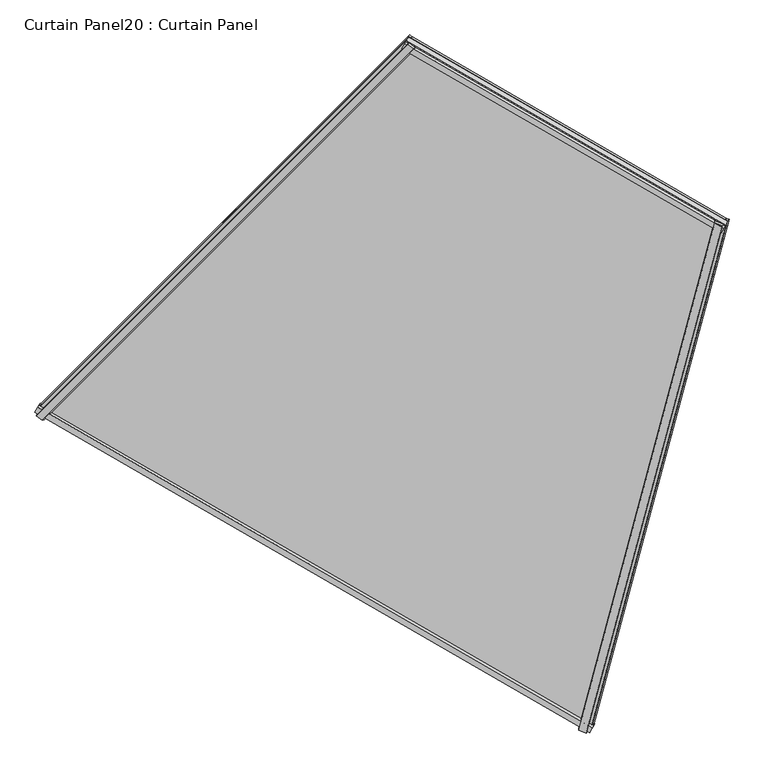
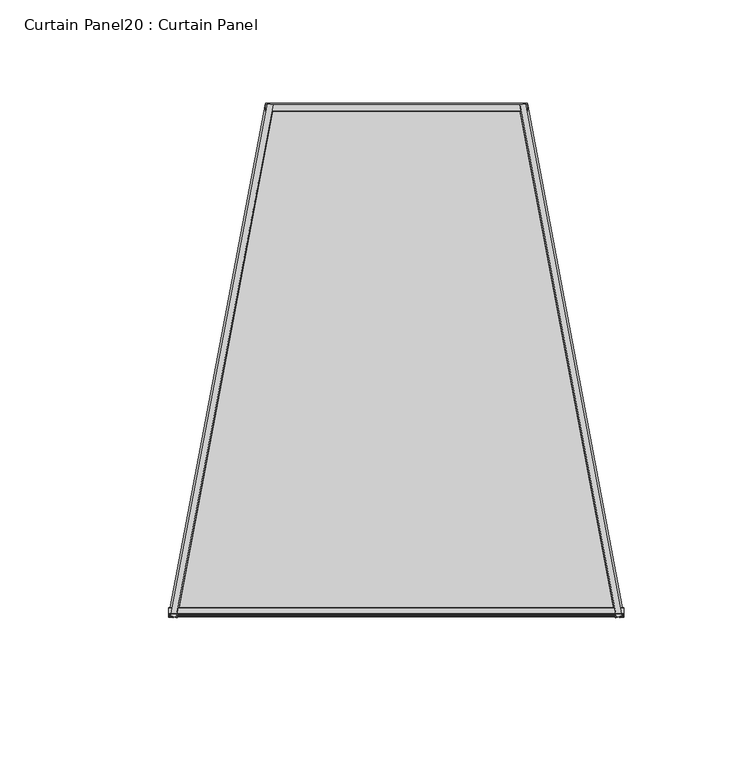
"""IFC4 building model written with IfcOpenShell, lengths in millimetres: plate geometry, Curtain Panel20 : Curtain Panel."""

from ifc_helpers import new_model, si_unit, frame, origin, place, context, project, spatial, polyline, outline, extrude, source, transform, mapped, element, save


def curtain_panel20_curtain_panel_d3203c03(model_context):
    return source(origin(), model_context, "Body", "SweptSolid", [
        extrude(outline(polyline([(22.3831197, -5.9476601), (22.4361731, -22.5325479), (17.5121094, -25.3444409), (17.5121093, -5.963242), (22.3831197, -5.9476601)])), frame((-12895.4803099, -16235.5367461, 2447.9025634), z_axis=(0.18301270189221724, 0.6830127018922197, 0.7071067811865477), x_axis=(-0.35962729833819956, -0.6228927525104974, 0.6947465906068657)), (0.0, 0.0, 1.0), 1550.2697454),
        extrude(outline(polyline([(-2.3405704, 0.0), (4.7128906, 0.0), (4.7128906, -11.3518128), (-0.0198591, -12.2485207), (-2.3405704, 0.0)])), frame((-12895.4803099, -16235.5367461, 2447.9025634), z_axis=(0.18301270189221724, 0.6830127018922197, 0.7071067811865477), x_axis=(-0.35962729833819956, -0.6228927525104974, 0.6947465906068657)), (0.0, 0.0, 1.0), 1550.2697454),
        extrude(outline(polyline([(22.3831196, 5.9476601), (17.5121093, 5.963242), (17.5121093, 25.3444409), (22.4361731, 22.5325479), (22.3831196, 5.9476601)])), frame((-14053.3762498, -15567.0252136, 2447.9025634), z_axis=(0.5000000000000007, 0.49999999999999983, 0.7071067811865472), x_axis=(-0.3596272983381996, -0.6228927525104975, 0.6947465906068657)), (0.0, 0.0, 1.0), 1550.2697454),
        extrude(outline(polyline([(-2.3405704, 0.0), (-0.0198592, 12.2485207), (4.7128906, 11.3518128), (4.7128905, 0.0), (-2.3405704, 0.0)])), frame((-14053.3762498, -15567.0252136, 2447.9025634), z_axis=(0.5000000000000007, 0.49999999999999983, 0.7071067811865472), x_axis=(-0.3596272983381996, -0.6228927525104975, 0.6947465906068657)), (0.0, 0.0, 1.0), 1550.2697454),
        extrude(outline(polyline([(4.7128907, 0.0), (-2.8844149, 2.0336379), (-0.0072961, 12.7820367), (4.7128906, 13.7689417), (4.7128907, 0.0)])), frame((-12895.4727399, -16235.2976203, 2448.1208762), z_axis=(-0.8660254037844367, 0.5000000000000033, 0.0), x_axis=(-0.3596272983381995, -0.6228927525104974, 0.6947465906068657)), (0.0, 0.0, 1.0), 1336.7970511),
        extrude(outline(polyline([(22.469187, 21.8874308), (22.473391, 5.2216894), (17.5121094, 3.9575953), (17.5121094, 24.3595661), (22.469187, 21.8874308)])), frame((-12895.4727399, -16235.2976203, 2448.1208762), z_axis=(-0.8660254037844367, 0.5000000000000033, 0.0), x_axis=(-0.3596272983381995, -0.6228927525104974, 0.6947465906068657)), (0.0, 0.0, 1.0), 1336.7970511),
        extrude(outline(polyline([(4.7128906, 0.0), (4.7128906, -13.7689417), (-0.0072961, -12.7820366), (-2.884415, -2.0336379), (4.7128906, 0.0)])), frame((-12611.7536851, -15176.4436929, 3544.3271258), z_axis=(-0.8660254037844397, 0.49999999999999856, 0.0), x_axis=(-0.3596272983381995, -0.6228927525104975, 0.6947465906068656)), (0.0, 0.0, 1.0), 769.3589416),
        extrude(outline(polyline([(22.4691869, -21.8874308), (17.5121094, -24.3595661), (17.5121094, -3.9575953), (22.4733911, -5.2216894), (22.4691869, -21.8874308)])), frame((-12611.7536851, -15176.4436929, 3544.3271258), z_axis=(-0.8660254037844397, 0.49999999999999856, 0.0), x_axis=(-0.3596272983381995, -0.6228927525104975, 0.6947465906068656)), (0.0, 0.0, 1.0), 769.3589416),
        extrude(outline(polyline([(-15.9809256, 0.0), (-260.6524475, -1314.3303808), (-1707.0738113, -756.4759895), (-1566.2506709, 1e-07), (-15.9809256, 0.0)])), frame((-12900.0434029, -16249.1766727, 2440.0949201), z_axis=(-0.35962729833819956, -0.6228927525104975, 0.6947465906068656), x_axis=(-0.183012701892216, -0.6830127018922202, -0.7071067811865476)), (0.0, 0.0, 1.0), 12.7992187),
    ])


if __name__ == "__main__":
    model = new_model("IFC4")
    model_context = context("Model", 3, world=origin())
    ifc_project = project(units=[si_unit("LENGTHUNIT", "METRE", prefix="MILLI")], contexts=[model_context])
    site = spatial("IfcSite", under=ifc_project)
    building = spatial("IfcBuilding", under=site)
    placement = place(None, origin())
    curtain_panel20_curtain_panel_shape = curtain_panel20_curtain_panel_d3203c03(model_context)
    element("IfcPlate", 1, ObjectType="Curtain Panel20 : Curtain Panel", at=placement, inside=building, context=model_context, shape_type="MappedRepresentation", body=[
        mapped(curtain_panel20_curtain_panel_shape, transform((0.0, 0.0, 0.0), x_axis=(1.0, 0.0, 0.0), y_axis=(0.0, 1.0, 0.0), z_axis=(0.0, 0.0, 1.0))),
    ])
    save(model, "model.ifc")
